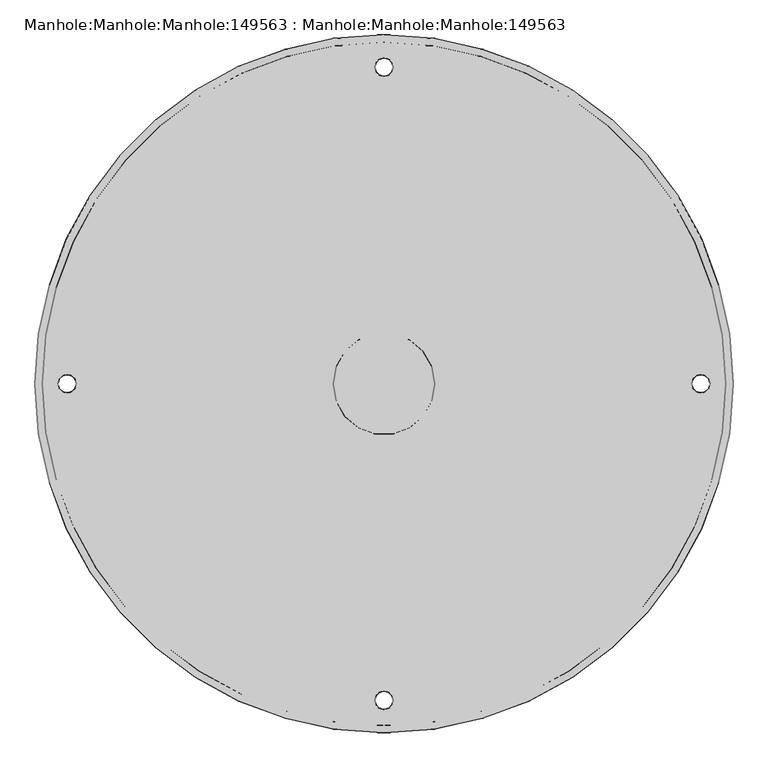
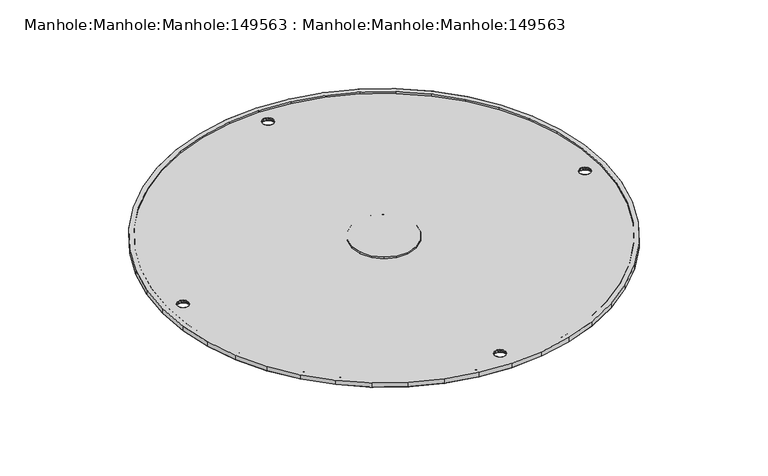
"""IFC4 building model written with IfcOpenShell, lengths in millimetres: proxy geometry, Manhole:Manhole:Manhole:149563 : Manhole:Manhole:Manhole:149563."""

from ifc_helpers import new_model, si_unit, origin, place, context, project, spatial, triangles, source, transform, mapped, element, save


def manhole_manhole_manhole_149563_manhole_manhole_manhole_296dc3f2(model_context):
    return source(origin(), model_context, "Body", "Tessellation", [
        triangles([(-93507.5947266, 10887.6540344, 238381.561084), (-93513.798999, 10974.4080414, 238381.9145508), (-93532.2908936, 11059.3970398, 238382.2680176), (-93562.6890381, 11140.8885773, 238382.6028809), (-93604.3702148, 11217.2257782, 238382.9191406), (-93656.4879639, 11286.8540863, 238383.2167969), (-93717.9911865, 11348.3549835, 238383.4586426), (-93787.6241455, 11400.4773834, 238383.6818848), (-93863.9636719, 11442.1608856, 238383.8493164), (-93945.4563721, 11472.555542, 238383.979541), (-94030.4465332, 11491.0439484, 238384.0539551), (-94117.1947266, 11497.2482208, 238384.0725586), (-94203.9522217, 11491.0439484, 238384.0539551), (-94288.9423828, 11472.555542, 238383.979541), (-94370.435083, 11442.1608856, 238383.8493164), (-94446.7746094, 11400.4773834, 238383.6818848), (-94516.3982666, 11348.3549835, 238383.4586426), (-94577.9014893, 11286.8540863, 238383.2167969), (-94630.02854, 11217.2257782, 238382.9191406), (-94671.7097168, 11140.8885773, 238382.6028809), (-94702.1078613, 11059.3970398, 238382.2680176), (-94720.5904541, 10974.4080414, 238381.9145508), (-94726.7947266, 10887.6540344, 238381.561084), (-94720.5904541, 10800.9000275, 238381.1890137), (-94702.1078613, 10715.9110291, 238380.8355469), (-94671.7097168, 10634.4194916, 238380.5006836), (-94630.02854, 10558.0822906, 238380.1844238), (-94577.9014893, 10488.4539825, 238379.9053711), (-94516.3982666, 10426.9530853, 238379.6449219), (-94446.7746094, 10374.8306854, 238379.4402832), (-94370.435083, 10333.1471832, 238379.254248), (-94288.9423828, 10302.7525269, 238379.1240234), (-94203.9522217, 10284.2641205, 238379.0496094), (-94117.1947266, 10278.0586853, 238379.0310059), (-94030.4465332, 10284.2641205, 238379.0496094), (-93945.4563721, 10302.7525269, 238379.1240234), (-93863.9636719, 10333.1471832, 238379.254248), (-93787.6241455, 10374.8306854, 238379.4402832), (-93717.9911865, 10426.9530853, 238379.6449219), (-93656.4879639, 10488.4539825, 238379.9053711), (-93604.3702148, 10558.0822906, 238380.1844238), (-93562.6890381, 10634.4194916, 238380.5006836), (-93532.2908936, 10715.9110291, 238380.8355469), (-93513.798999, 10800.9000275, 238381.1890137), (-94714.0978271, 10887.6540344, 238381.561084), (-94708.0237793, 10972.6011749, 238381.9145508), (-94689.9225586, 11055.8181885, 238382.2494141), (-94660.1569336, 11135.6133179, 238382.5842773), (-94619.3408203, 11210.3599182, 238382.9005371), (-94568.3020752, 11278.5371521, 238383.1795898), (-94508.0824951, 11338.7567322, 238383.4214355), (-94439.9099121, 11389.7943146, 238383.6446777), (-94365.1609863, 11430.6081024, 238383.8121094), (-94285.3612061, 11460.3702393, 238383.9237305), (-94202.1476807, 11478.4737854, 238383.9981445), (-94117.1947266, 11484.548996, 238384.0353516), (-94032.2510742, 11478.4737854, 238383.9981445), (-93949.0282471, 11460.3702393, 238383.9237305), (-93869.2377686, 11430.6081024, 238383.8121094), (-93794.4888428, 11389.7943146, 238383.6446777), (-93726.306958, 11338.7567322, 238383.4214355), (-93666.0873779, 11278.5371521, 238383.1795898), (-93615.0486328, 11210.3599182, 238382.9005371), (-93574.2418213, 11135.6133179, 238382.5842773), (-93544.4761963, 11055.8181885, 238382.2494141), (-93526.3749756, 10972.6011749, 238381.9145508), (-93520.3009277, 10887.6540344, 238381.561084), (-93526.3749756, 10802.7068939, 238381.2076172), (-93544.4761963, 10719.4887177, 238380.8541504), (-93574.2418213, 10639.694751, 238380.5378906), (-93615.0486328, 10564.9481506, 238380.2216309), (-93666.0873779, 10496.7709167, 238379.9425781), (-93726.306958, 10436.5513367, 238379.6821289), (-93794.4888428, 10385.5137543, 238379.4774902), (-93869.2377686, 10344.6988037, 238379.3100586), (-93949.0282471, 10314.9378296, 238379.179834), (-94032.2510742, 10296.8342834, 238379.1054199), (-94117.1947266, 10290.7590729, 238379.0868164), (-94202.1476807, 10296.8342834, 238379.1054199), (-94285.3612061, 10314.9378296, 238379.179834), (-94365.1609863, 10344.6988037, 238379.3100586), (-94439.9099121, 10385.5137543, 238379.4774902), (-94508.0824951, 10436.5513367, 238379.6821289), (-94568.3020752, 10496.7709167, 238379.9425781), (-94619.3408203, 10564.9481506, 238380.2216309), (-94660.1569336, 10639.694751, 238380.5378906), (-94689.9225586, 10719.4887177, 238380.8541504), (-94708.0237793, 10802.7068939, 238381.2076172), (-94206.1009277, 10887.6540344, 238381.561084), (-94200.7338135, 10857.2489136, 238381.4308594), (-94185.3021973, 10830.5110107, 238381.3192383), (-94161.6478271, 10810.6645477, 238381.2448242), (-94132.6356445, 10800.1058899, 238381.1890137), (-94101.7631104, 10800.1058899, 238381.1890137), (-94072.7509277, 10810.6645477, 238381.2448242), (-94049.0965576, 10830.5110107, 238381.3192383), (-94033.6556396, 10857.2489136, 238381.4308594), (-94028.2978271, 10887.6540344, 238381.561084), (-94033.6556396, 10918.0591553, 238381.6727051), (-94049.0965576, 10944.7970581, 238381.7843262), (-94072.7509277, 10964.6435211, 238381.8773438), (-94101.7631104, 10975.202179, 238381.9145508), (-94132.6356445, 10975.202179, 238381.9145508), (-94161.6478271, 10964.6435211, 238381.8773438), (-94185.3021973, 10944.7970581, 238381.7843262), (-94200.7338135, 10918.0591553, 238381.6727051), (-93507.5947266, 10887.7063568, 238368.8548828), (-93513.798999, 10800.9523499, 238368.501416), (-93532.2908936, 10715.9633514, 238368.1479492), (-93562.6890381, 10634.471814, 238367.8130859), (-93604.3702148, 10558.134613, 238367.4968262), (-93656.4879639, 10488.5074677, 238367.1991699), (-93717.9911865, 10427.0054077, 238366.9387207), (-93787.6241455, 10374.8830078, 238366.734082), (-93863.9636719, 10333.1995056, 238366.5666504), (-93945.4563721, 10302.8048492, 238366.4364258), (-94030.4465332, 10284.3164429, 238366.3620117), (-94117.1947266, 10278.1121704, 238366.3248047), (-94203.9522217, 10284.3164429, 238366.3620117), (-94288.9423828, 10302.8048492, 238366.4364258), (-94370.435083, 10333.1995056, 238366.5666504), (-94446.7746094, 10374.8830078, 238366.734082), (-94516.3982666, 10427.0054077, 238366.9387207), (-94577.9014893, 10488.5074677, 238367.1991699), (-94630.02854, 10558.134613, 238367.4968262), (-94671.7097168, 10634.471814, 238367.8130859), (-94702.1078613, 10715.9633514, 238368.1479492), (-94720.5904541, 10800.9523499, 238368.501416), (-94726.7947266, 10887.7063568, 238368.8548828), (-94720.5904541, 10974.4615265, 238369.2083496), (-94702.1078613, 11059.4493622, 238369.5618164), (-94671.7097168, 11140.9408997, 238369.8966797), (-94630.02854, 11217.2781006, 238370.2129395), (-94577.9014893, 11286.9064087, 238370.5105957), (-94516.3982666, 11348.4073059, 238370.7710449), (-94446.7746094, 11400.5308685, 238370.9756836), (-94370.435083, 11442.213208, 238371.1431152), (-94288.9423828, 11472.6090271, 238371.2733398), (-94203.9522217, 11491.0962708, 238371.3477539), (-94117.1947266, 11497.3017059, 238371.3849609), (-94030.4465332, 11491.0962708, 238371.3477539), (-93945.4563721, 11472.6090271, 238371.2733398), (-93863.9636719, 11442.213208, 238371.1431152), (-93787.6241455, 11400.5308685, 238370.9756836), (-93717.9911865, 11348.4073059, 238370.7710449), (-93656.4879639, 11286.9064087, 238370.5105957), (-93604.3702148, 11217.2781006, 238370.2129395), (-93562.6890381, 11140.9408997, 238369.8966797), (-93532.2908936, 11059.4493622, 238369.5618164), (-93513.798999, 10974.4615265, 238369.2083496), (-94101.1864014, 10334.3645508, 238366.5666504), (-94102.7677002, 10341.3118011, 238366.5852539), (-94107.2139404, 10346.8823914, 238366.6224609), (-94113.6321533, 10349.9740631, 238366.6224609), (-94120.7572998, 10349.9740631, 238366.6224609), (-94127.1755127, 10346.8823914, 238366.6224609), (-94131.6217529, 10341.3118011, 238366.5852539), (-94133.2123535, 10334.3645508, 238366.5666504), (-94131.6217529, 10327.4184631, 238366.5294434), (-94127.1755127, 10321.8467102, 238366.5108398), (-94120.7572998, 10318.7550385, 238366.4922363), (-94113.6321533, 10318.7550385, 238366.4922363), (-94107.2139404, 10321.8467102, 238366.5108398), (-94102.7677002, 10327.4184631, 238366.5294434), (-94101.1864014, 11441.0481628, 238371.1431152), (-94102.7677002, 11447.9954132, 238371.1803223), (-94107.2139404, 11453.5660034, 238371.1989258), (-94113.6321533, 11456.6576752, 238371.2175293), (-94120.7572998, 11456.6576752, 238371.2175293), (-94127.1755127, 11453.5660034, 238371.1989258), (-94131.6217529, 11447.9954132, 238371.1803223), (-94133.2123535, 11441.0481628, 238371.1431152), (-94131.6217529, 11434.1020752, 238371.1245117), (-94127.1755127, 11428.531485, 238371.0873047), (-94120.7572998, 11425.4398132, 238371.0873047), (-94113.6321533, 11425.4398132, 238371.0873047), (-94107.2139404, 11428.531485, 238371.0873047), (-94102.7677002, 11434.1020752, 238371.1245117), (-94654.5293701, 10887.7063568, 238368.8548828), (-94656.1199707, 10894.6536072, 238368.8920898), (-94660.5569092, 10900.2241974, 238368.9106934), (-94666.9844238, 10903.3158691, 238368.9292969), (-94674.1095703, 10903.3158691, 238368.9292969), (-94680.5277832, 10900.2241974, 238368.9106934), (-94684.9647217, 10894.6536072, 238368.8920898), (-94686.5553223, 10887.7063568, 238368.8548828), (-94684.9647217, 10880.7602692, 238368.8362793), (-94680.5277832, 10875.189679, 238368.7990723), (-94674.1095703, 10872.0980072, 238368.7990723), (-94666.9844238, 10872.0980072, 238368.7990723), (-94660.5569092, 10875.189679, 238368.7990723), (-94656.1199707, 10880.7602692, 238368.8362793), (-93579.860083, 10887.7063568, 238368.8548828), (-93578.2787842, 10880.7602692, 238368.8362793), (-93573.8325439, 10875.189679, 238368.7990723), (-93567.4143311, 10872.0980072, 238368.7990723), (-93560.2891846, 10872.0980072, 238368.7990723), (-93553.8709717, 10875.189679, 238368.7990723), (-93549.4247314, 10880.7602692, 238368.8362793), (-93547.8434326, 10887.7063568, 238368.8548828), (-93549.4247314, 10894.6536072, 238368.8920898), (-93553.8709717, 10900.2241974, 238368.9106934), (-93560.2891846, 10903.3158691, 238368.9292969), (-93567.4143311, 10903.3158691, 238368.9292969), (-93573.8325439, 10900.2241974, 238368.9106934), (-93578.2787842, 10894.6536072, 238368.8920898), (-94132.1333496, 10338.3340759, 238374.5103516), (-94131.0636475, 10342.3373199, 238374.5289551), (-94106.2651611, 10345.2673737, 238374.5475586), (-94104.9908203, 10344.0965149, 238366.6038574), (-94129.3986328, 10344.0965149, 238366.6038574), (-94132.4124023, 10337.8375946, 238366.5852539), (-94133.2123535, 10334.3319946, 238374.5103516), (-94102.2561035, 10338.3340759, 238374.5103516), (-94101.9770508, 10337.8375946, 238366.5852539), (-94101.1864014, 10334.3319946, 238374.5103516), (-94125.20354, 10348.1974274, 238374.5661621), (-94128.1335937, 10345.2673737, 238374.5475586), (-94117.1947266, 10350.3426453, 238374.5661621), (-94117.1947266, 10349.9740631, 238366.6224609), (-94110.4230469, 10348.4276459, 238366.6224609), (-94109.1952148, 10348.1974274, 238374.5661621), (-94113.1949707, 10349.269455, 238374.5661621), (-94121.2037842, 10349.269455, 238374.5661621), (-94123.9664063, 10348.4276459, 238366.6224609), (-94103.3351074, 10342.3373199, 238374.5289551), (-94103.3351074, 10326.3266693, 238374.4731445), (-94102.2561035, 10330.3287506, 238374.491748), (-94129.3986328, 10324.6325867, 238366.5294434), (-94128.1335937, 10323.3966156, 238374.454541), (-94104.9908203, 10324.6325867, 238366.5294434), (-94101.9770508, 10330.891507, 238366.5480469), (-94132.4124023, 10330.891507, 238366.5480469), (-94132.1333496, 10330.3287506, 238374.491748), (-94106.2651611, 10323.3966156, 238374.454541), (-94109.1952148, 10320.4665619, 238374.4359375), (-94117.1947266, 10318.7550385, 238366.4922363), (-94117.1947266, 10318.321344, 238374.4359375), (-94125.20354, 10320.4665619, 238374.4359375), (-94123.9664063, 10320.3014557, 238366.5108398), (-94121.2037842, 10319.3933716, 238374.4359375), (-94113.1949707, 10319.3933716, 238374.4359375), (-94110.4230469, 10320.3014557, 238366.5108398), (-94131.0636475, 10326.3266693, 238374.4731445), (-94131.0636475, 11449.020932, 238379.1240234), (-94132.1333496, 11445.017688, 238379.1054199), (-94104.9908203, 11450.780127, 238371.1803223), (-94106.2651611, 11451.9509857, 238379.1240234), (-94129.3986328, 11450.780127, 238371.1803223), (-94133.2123535, 11441.0156067, 238379.0868164), (-94132.4124023, 11444.5223694, 238371.1617188), (-94101.1864014, 11441.0156067, 238379.0868164), (-94101.9770508, 11444.5223694, 238371.1617188), (-94102.2561035, 11445.017688, 238379.1054199), (-94128.1335937, 11451.9509857, 238379.1240234), (-94125.20354, 11454.8810394, 238379.142627), (-94117.1947266, 11456.6576752, 238371.2175293), (-94117.1947266, 11457.0262573, 238379.142627), (-94109.1952148, 11454.8810394, 238379.142627), (-94110.4230469, 11455.1124207, 238371.1989258), (-94113.1949707, 11455.953067, 238379.142627), (-94121.2037842, 11455.953067, 238379.142627), (-94123.9664063, 11455.1124207, 238371.1989258), (-94103.3351074, 11449.020932, 238379.1240234), (-94102.2561035, 11437.0135254, 238379.0682129), (-94103.3351074, 11433.0102814, 238379.0496094), (-94128.1335937, 11430.0802277, 238379.0310059), (-94129.3986328, 11431.3161987, 238371.1059082), (-94104.9908203, 11431.3161987, 238371.1059082), (-94101.9770508, 11437.575119, 238371.1245117), (-94132.1333496, 11437.0135254, 238379.0682129), (-94132.4124023, 11437.575119, 238371.1245117), (-94109.1952148, 11427.150174, 238379.0310059), (-94106.2651611, 11430.0802277, 238379.0310059), (-94117.1947266, 11425.0049561, 238379.0124023), (-94117.1947266, 11425.4398132, 238371.0873047), (-94123.9664063, 11426.9850677, 238371.0873047), (-94125.20354, 11427.150174, 238379.0310059), (-94121.2037842, 11426.0781464, 238379.0310059), (-94113.1949707, 11426.0781464, 238379.0310059), (-94110.4230469, 11426.9850677, 238371.0873047), (-94131.0636475, 11433.0102814, 238379.0496094), (-94684.4066162, 10895.679126, 238376.8171875), (-94685.4856201, 10891.675882, 238376.8171875), (-94659.6081299, 10898.6091797, 238376.835791), (-94658.3430908, 10897.4383209, 238368.8920898), (-94682.7509033, 10897.4383209, 238368.8920898), (-94686.5553223, 10887.6738007, 238376.798584), (-94685.7646729, 10891.1794006, 238368.8734863), (-94655.608374, 10891.675882, 238376.8171875), (-94655.3293213, 10891.1794006, 238368.8734863), (-94654.5293701, 10887.6738007, 238376.798584), (-94681.4765625, 10898.6091797, 238376.835791), (-94678.5465088, 10901.5392334, 238376.8543945), (-94670.5469971, 10903.3158691, 238368.9292969), (-94670.5469971, 10903.6844513, 238376.8543945), (-94663.7753174, 10901.7694519, 238368.9106934), (-94662.5381836, 10901.5392334, 238376.8543945), (-94666.5379395, 10902.611261, 238376.8543945), (-94674.5467529, 10902.611261, 238376.8543945), (-94677.3186768, 10901.7694519, 238368.9106934), (-94656.6780762, 10895.679126, 238376.8171875), (-94655.608374, 10883.6705566, 238376.7799805), (-94656.6780762, 10879.6684753, 238376.761377), (-94682.7509033, 10877.9743927, 238368.8176758), (-94681.4765625, 10876.7384216, 238376.7427734), (-94658.3430908, 10877.9743927, 238368.8176758), (-94655.3293213, 10884.233313, 238368.8362793), (-94685.7646729, 10884.233313, 238368.8362793), (-94685.4856201, 10883.6705566, 238376.7799805), (-94662.5381836, 10873.8083679, 238376.7427734), (-94659.6081299, 10876.7384216, 238376.7427734), (-94670.5469971, 10872.0980072, 238368.7990723), (-94670.5469971, 10871.66315, 238376.7241699), (-94678.5465088, 10873.8083679, 238376.7427734), (-94677.3186768, 10873.6432617, 238368.7990723), (-94674.5467529, 10872.7351776, 238376.7241699), (-94666.5379395, 10872.7351776, 238376.7241699), (-94663.7753174, 10873.6432617, 238368.7990723), (-94684.4066162, 10879.6684753, 238376.761377), (-93549.9828369, 10879.6684753, 238376.761377), (-93548.9131348, 10883.6705566, 238376.7799805), (-93574.790625, 10876.7384216, 238376.7427734), (-93576.0556641, 10877.9743927, 238368.8176758), (-93551.6478516, 10877.9743927, 238368.8176758), (-93547.8434326, 10887.6738007, 238376.798584), (-93548.634082, 10884.233313, 238368.8362793), (-93578.7903809, 10883.6705566, 238376.7799805), (-93579.0694336, 10884.233313, 238368.8362793), (-93579.860083, 10887.6738007, 238376.798584), (-93552.9128906, 10876.7384216, 238376.7427734), (-93555.8429443, 10873.8083679, 238376.7427734), (-93563.8517578, 10872.0980072, 238368.7990723), (-93563.8517578, 10871.66315, 238376.7241699), (-93570.6234375, 10873.6432617, 238368.7990723), (-93571.8512695, 10873.8083679, 238376.7427734), (-93567.8515137, 10872.7351776, 238376.7241699), (-93559.852002, 10872.7351776, 238376.7241699), (-93557.0800781, 10873.6432617, 238368.7990723), (-93577.7206787, 10879.6684753, 238376.761377), (-93578.7903809, 10891.675882, 238376.8171875), (-93577.7206787, 10895.679126, 238376.8171875), (-93551.6478516, 10897.4383209, 238368.8920898), (-93552.9128906, 10898.6091797, 238376.835791), (-93576.0556641, 10897.4383209, 238368.8920898), (-93579.0694336, 10891.1794006, 238368.8734863), (-93548.634082, 10891.1794006, 238368.8734863), (-93548.9131348, 10891.675882, 238376.8171875), (-93571.8512695, 10901.5392334, 238376.8543945), (-93574.790625, 10898.6091797, 238376.835791), (-93563.8517578, 10903.3158691, 238368.9292969), (-93563.8517578, 10903.6844513, 238376.8543945), (-93555.8429443, 10901.5392334, 238376.8543945), (-93557.0800781, 10901.7694519, 238368.9106934), (-93559.852002, 10902.611261, 238376.8543945), (-93567.8515137, 10902.611261, 238376.8543945), (-93570.6234375, 10901.7694519, 238368.9106934), (-93549.9828369, 10895.679126, 238376.8171875), (-93520.3009277, 10887.6738007, 238376.798584), (-93526.3749756, 10972.6209412, 238377.1520508), (-93544.4761963, 11055.8379547, 238377.4869141), (-93574.2418213, 11135.6330841, 238377.8217773), (-93615.0486328, 11210.3796844, 238378.1380371), (-93666.0873779, 11278.5569183, 238378.4170898), (-93726.306958, 11338.7764984, 238378.6589355), (-93794.4888428, 11389.8140808, 238378.8821777), (-93869.2377686, 11430.6278687, 238379.0496094), (-93949.0282471, 11460.3900055, 238379.1612305), (-94032.2510742, 11478.4935516, 238379.2356445), (-94117.1947266, 11484.5687622, 238379.2728516), (-94202.1476807, 11478.4935516, 238379.2356445), (-94285.3612061, 11460.3900055, 238379.1612305), (-94365.1609863, 11430.6278687, 238379.0496094), (-94439.9099121, 11389.8140808, 238378.8821777), (-94508.0824951, 11338.7764984, 238378.6589355), (-94568.3020752, 11278.5569183, 238378.4170898), (-94619.3408203, 11210.3796844, 238378.1380371), (-94660.1569336, 11135.6330841, 238377.8217773), (-94689.9225586, 11055.8379547, 238377.4869141), (-94708.0237793, 10972.6209412, 238377.1520508), (-94714.0978271, 10887.6738007, 238376.798584), (-94708.0237793, 10802.7266602, 238376.4451172), (-94689.9225586, 10719.5084839, 238376.0916504), (-94660.1569336, 10639.7145172, 238375.7753906), (-94619.3408203, 10564.9679169, 238375.4591309), (-94568.3020752, 10496.790683, 238375.1800781), (-94508.0824951, 10436.5711029, 238374.9196289), (-94439.9099121, 10385.5335205, 238374.7149902), (-94365.1609863, 10344.7185699, 238374.5475586), (-94285.3612061, 10314.9575958, 238374.417334), (-94202.1476807, 10296.8540497, 238374.3429199), (-94117.1947266, 10290.7788391, 238374.3243164), (-94032.2510742, 10296.8540497, 238374.3429199), (-93949.0282471, 10314.9575958, 238374.417334), (-93869.2377686, 10344.7185699, 238374.5475586), (-93794.4888428, 10385.5335205, 238374.7149902), (-93726.306958, 10436.5711029, 238374.9196289), (-93666.0873779, 10496.790683, 238375.1800781), (-93615.0486328, 10564.9679169, 238375.4591309), (-93574.2418213, 10639.7145172, 238375.7753906), (-93544.4761963, 10719.5084839, 238376.0916504), (-93526.3749756, 10802.7266602, 238376.4451172), (-94028.2978271, 10887.6738007, 238376.798584), (-94033.6556396, 10857.2686798, 238376.6683594), (-94049.0965576, 10830.530777, 238376.5567383), (-94072.7509277, 10810.684314, 238376.4823242), (-94101.7631104, 10800.1244934, 238376.4265137), (-94132.6356445, 10800.1244934, 238376.4265137), (-94161.6478271, 10810.684314, 238376.4823242), (-94185.3021973, 10830.530777, 238376.5567383), (-94200.7338135, 10857.2686798, 238376.6683594), (-94206.1009277, 10887.6738007, 238376.798584), (-94200.7338135, 10918.0789215, 238376.9102051), (-94185.3021973, 10944.8168243, 238377.0218262), (-94161.6478271, 10964.6632874, 238377.1148438), (-94132.6356445, 10975.2219452, 238377.1520508), (-94101.7631104, 10975.2219452, 238377.1520508), (-94072.7509277, 10964.6632874, 238377.1148438), (-94049.0965576, 10944.8168243, 238377.0218262), (-94033.6556396, 10918.0789215, 238376.9102051)], [[38, 74, 75], [74, 38, 39], [39, 40, 73], [39, 73, 74], [35, 36, 77], [77, 36, 76], [35, 77, 78], [76, 37, 75], [37, 76, 36], [75, 37, 38], [73, 40, 72], [43, 44, 68], [44, 67, 68], [67, 44, 1], [67, 1, 66], [43, 68, 69], [72, 41, 71], [41, 72, 40], [71, 41, 42], [42, 69, 70], [69, 42, 43], [42, 70, 71], [33, 34, 79], [79, 80, 33], [78, 79, 34], [34, 35, 78], [33, 80, 32], [32, 81, 31], [81, 32, 80], [31, 81, 82], [29, 30, 83], [82, 30, 31], [82, 83, 30], [84, 29, 83], [29, 84, 28], [85, 27, 28], [27, 85, 86], [85, 28, 84], [25, 26, 87], [86, 26, 27], [87, 26, 86], [88, 24, 25], [24, 88, 45], [88, 25, 87], [66, 2, 65], [2, 66, 1], [64, 65, 3], [3, 65, 2], [64, 3, 4], [4, 63, 64], [63, 4, 5], [63, 5, 62], [62, 6, 61], [6, 62, 5], [61, 6, 7], [60, 7, 8], [8, 9, 59], [59, 9, 58], [8, 59, 60], [58, 10, 57], [10, 58, 9], [57, 10, 11], [56, 11, 12], [11, 56, 57], [56, 12, 55], [60, 61, 7], [48, 20, 21], [20, 48, 49], [19, 49, 18], [18, 49, 50], [49, 19, 20], [45, 46, 23], [23, 46, 22], [45, 23, 24], [22, 47, 21], [47, 22, 46], [21, 47, 48], [53, 54, 14], [13, 14, 54], [13, 55, 12], [13, 54, 55], [53, 14, 15], [50, 17, 18], [50, 51, 17], [17, 51, 16], [52, 15, 16], [15, 52, 53], [52, 16, 51], [104, 105, 106], [104, 106, 103], [103, 106, 89], [99, 102, 98], [101, 99, 100], [99, 101, 102], [98, 102, 103], [103, 89, 98], [90, 91, 93], [92, 93, 91], [93, 94, 89], [89, 97, 98], [97, 95, 96], [95, 97, 94], [94, 97, 89], [90, 93, 89], [148, 206, 147], [149, 205, 148], [150, 203, 204], [203, 150, 202], [149, 150, 205], [146, 147, 206], [177, 142, 143], [144, 177, 143], [176, 145, 146], [144, 145, 176], [178, 141, 142], [204, 205, 150], [202, 107, 201], [107, 202, 150], [201, 107, 200], [199, 200, 107], [198, 199, 107], [198, 108, 197], [206, 176, 146], [205, 206, 148], [196, 197, 108], [154, 193, 194], [194, 195, 110], [176, 206, 193], [198, 107, 108], [193, 179, 175], [140, 167, 168], [140, 141, 167], [140, 168, 169], [165, 166, 141], [178, 165, 141], [141, 166, 167], [173, 138, 139], [170, 140, 169], [139, 140, 170], [171, 172, 139], [170, 171, 139], [172, 173, 139], [174, 137, 138], [174, 136, 137], [176, 193, 175], [136, 174, 175], [144, 176, 177], [174, 138, 173], [175, 134, 135], [135, 136, 175], [133, 134, 180], [133, 180, 132], [132, 181, 131], [131, 181, 130], [175, 180, 134], [178, 142, 177], [195, 196, 108], [195, 109, 110], [194, 110, 111], [194, 112, 154], [111, 112, 194], [112, 113, 154], [154, 114, 153], [153, 114, 115], [155, 193, 154], [193, 155, 179], [153, 115, 116], [154, 113, 114], [122, 155, 156], [151, 152, 117], [164, 151, 117], [164, 117, 163], [117, 152, 116], [163, 117, 118], [152, 153, 116], [158, 159, 119], [157, 158, 119], [162, 118, 161], [118, 162, 163], [160, 161, 118], [160, 119, 159], [119, 160, 118], [156, 157, 120], [182, 130, 181], [181, 132, 180], [179, 155, 192], [191, 192, 126], [179, 180, 175], [184, 185, 129], [184, 129, 130], [186, 187, 129], [188, 129, 187], [186, 129, 185], [184, 130, 183], [182, 183, 130], [123, 124, 155], [192, 155, 124], [121, 122, 156], [123, 155, 122], [125, 192, 124], [189, 190, 128], [188, 189, 128], [128, 191, 127], [190, 191, 128], [126, 127, 191], [125, 126, 192], [188, 128, 129], [156, 120, 121], [119, 120, 157], [195, 108, 109], [27, 26, 125], [126, 125, 26], [26, 25, 127], [127, 126, 26], [28, 27, 125], [125, 124, 28], [32, 31, 120], [121, 120, 31], [33, 32, 120], [120, 119, 33], [30, 29, 122], [123, 122, 29], [31, 30, 121], [122, 121, 30], [29, 28, 124], [124, 123, 29], [34, 33, 119], [119, 118, 34], [127, 25, 24], [24, 128, 127], [128, 24, 23], [23, 129, 128], [38, 37, 115], [115, 114, 38], [36, 35, 116], [117, 116, 35], [37, 36, 116], [116, 115, 37], [39, 38, 114], [114, 113, 39], [43, 42, 109], [110, 109, 42], [44, 43, 109], [109, 108, 44], [41, 40, 111], [112, 111, 40], [42, 41, 111], [111, 110, 42], [40, 39, 112], [113, 112, 39], [1, 44, 108], [108, 107, 1], [118, 117, 34], [35, 34, 117], [1, 107, 150], [150, 2, 1], [3, 149, 4], [148, 4, 149], [2, 150, 3], [149, 3, 150], [4, 148, 147], [147, 5, 4], [11, 10, 142], [142, 141, 11], [6, 146, 7], [145, 7, 146], [12, 11, 140], [141, 140, 11], [5, 147, 146], [146, 6, 5], [7, 145, 144], [144, 8, 7], [144, 143, 9], [9, 8, 144], [10, 9, 142], [143, 142, 9], [16, 15, 136], [137, 136, 15], [14, 13, 138], [139, 138, 13], [15, 14, 138], [138, 137, 15], [17, 16, 136], [136, 135, 17], [21, 20, 131], [132, 131, 20], [22, 21, 130], [131, 130, 21], [19, 18, 134], [134, 133, 19], [20, 19, 133], [133, 132, 20], [18, 17, 134], [135, 134, 17], [23, 22, 129], [130, 129, 22], [140, 139, 13], [13, 12, 140], [207, 157, 208], [209, 153, 210], [208, 157, 211], [158, 212, 213], [214, 215, 216], [156, 217, 218], [154, 219, 220], [155, 220, 219], [221, 153, 222], [211, 218, 208], [212, 157, 207], [212, 207, 213], [222, 223, 221], [155, 219, 224], [214, 152, 215], [217, 225, 224], [211, 156, 218], [209, 222, 153], [221, 223, 154], [155, 224, 225], [209, 210, 226], [214, 226, 152], [223, 219, 154], [151, 216, 215], [152, 226, 210], [217, 156, 225], [227, 164, 228], [229, 160, 230], [231, 164, 227], [216, 232, 151], [213, 233, 234], [235, 236, 163], [161, 237, 238], [162, 238, 237], [239, 160, 240], [227, 235, 231], [228, 164, 232], [216, 228, 232], [240, 241, 239], [242, 238, 162], [233, 159, 234], [242, 243, 236], [235, 163, 231], [160, 239, 230], [161, 241, 240], [243, 242, 162], [244, 229, 230], [159, 244, 234], [161, 238, 241], [233, 213, 158], [229, 244, 159], [243, 163, 236], [245, 171, 246], [247, 167, 248], [249, 171, 245], [250, 251, 172], [252, 253, 254], [255, 256, 170], [258, 168, 257], [257, 169, 258], [259, 167, 260], [245, 255, 249], [246, 171, 251], [250, 246, 251], [260, 261, 259], [262, 258, 169], [253, 166, 254], [262, 263, 256], [255, 170, 249], [167, 259, 248], [168, 261, 260], [263, 262, 169], [264, 247, 248], [166, 264, 254], [168, 258, 261], [253, 252, 165], [247, 264, 166], [263, 170, 256], [265, 178, 266], [267, 174, 268], [266, 178, 269], [165, 270, 252], [271, 272, 250], [177, 273, 274], [175, 275, 276], [176, 276, 275], [277, 174, 278], [269, 274, 266], [270, 178, 265], [270, 265, 252], [278, 279, 277], [176, 275, 280], [271, 173, 272], [273, 281, 280], [269, 177, 274], [267, 278, 174], [277, 279, 175], [176, 280, 281], [267, 268, 282], [271, 282, 173], [279, 275, 175], [172, 250, 272], [173, 282, 268], [273, 177, 281], [283, 185, 284], [285, 181, 286], [287, 185, 283], [288, 289, 186], [290, 291, 292], [293, 294, 184], [182, 295, 296], [183, 296, 295], [297, 181, 298], [283, 293, 287], [284, 185, 289], [288, 284, 289], [298, 299, 297], [300, 296, 183], [290, 180, 291], [300, 301, 294], [293, 184, 287], [285, 298, 181], [297, 299, 182], [301, 300, 183], [285, 286, 302], [290, 302, 180], [299, 296, 182], [291, 179, 292], [180, 302, 286], [301, 184, 294], [303, 192, 304], [305, 188, 306], [304, 192, 307], [179, 308, 292], [288, 309, 310], [191, 311, 312], [189, 313, 314], [190, 314, 313], [315, 188, 316], [307, 312, 304], [308, 192, 303], [308, 303, 292], [316, 317, 315], [190, 314, 318], [309, 187, 310], [311, 319, 318], [307, 191, 312], [188, 315, 306], [189, 317, 316], [190, 318, 319], [320, 305, 306], [187, 320, 310], [189, 314, 317], [309, 288, 186], [305, 320, 187], [311, 191, 319], [321, 199, 322], [323, 195, 324], [325, 199, 321], [326, 327, 200], [328, 329, 330], [331, 332, 198], [196, 333, 334], [197, 334, 333], [335, 195, 336], [321, 331, 325], [322, 199, 327], [326, 322, 327], [336, 337, 335], [338, 334, 197], [328, 194, 329], [338, 339, 332], [331, 198, 325], [323, 336, 195], [335, 337, 196], [339, 338, 197], [323, 324, 340], [328, 340, 194], [337, 334, 196], [193, 330, 329], [194, 340, 324], [339, 198, 332], [341, 206, 342], [343, 202, 344], [342, 206, 345], [330, 193, 346], [326, 347, 348], [205, 349, 350], [203, 351, 352], [204, 352, 351], [353, 202, 354], [345, 350, 342], [346, 206, 341], [346, 341, 330], [354, 355, 353], [204, 352, 356], [347, 201, 348], [349, 357, 356], [345, 205, 350], [202, 353, 344], [203, 355, 354], [204, 356, 357], [358, 343, 344], [201, 358, 348], [203, 352, 355], [347, 326, 200], [343, 358, 201], [349, 205, 357], [399, 405, 398], [399, 404, 405], [336, 401, 402], [334, 402, 332], [400, 401, 340], [399, 400, 404], [394, 226, 393], [395, 222, 394], [396, 397, 406], [405, 406, 397], [397, 398, 405], [396, 406, 395], [406, 222, 395], [334, 336, 402], [332, 359, 321], [359, 332, 402], [321, 359, 326], [358, 326, 359], [352, 353, 360], [358, 359, 353], [359, 360, 353], [340, 330, 404], [340, 404, 400], [420, 330, 342], [404, 330, 403], [361, 342, 349], [420, 403, 330], [401, 336, 340], [349, 352, 360], [392, 236, 238], [236, 392, 227], [392, 238, 239], [216, 393, 226], [394, 222, 226], [216, 227, 393], [392, 393, 227], [390, 391, 208], [244, 392, 239], [391, 392, 244], [208, 217, 390], [244, 213, 391], [208, 391, 213], [390, 217, 389], [217, 409, 389], [407, 219, 222], [408, 219, 407], [217, 219, 408], [409, 217, 408], [387, 409, 410], [389, 409, 388], [385, 410, 411], [409, 387, 388], [410, 386, 387], [386, 410, 385], [304, 383, 384], [384, 385, 411], [382, 383, 311], [411, 304, 384], [407, 222, 406], [342, 361, 362], [420, 342, 362], [419, 363, 364], [362, 363, 420], [365, 419, 364], [420, 363, 419], [419, 365, 418], [418, 273, 417], [416, 417, 275], [275, 417, 273], [418, 367, 273], [367, 418, 366], [366, 418, 365], [266, 273, 368], [252, 266, 369], [369, 264, 252], [370, 259, 264], [264, 369, 370], [369, 266, 368], [273, 367, 368], [372, 278, 282], [416, 275, 278], [258, 370, 256], [370, 258, 259], [245, 256, 370], [370, 371, 245], [250, 245, 371], [371, 282, 250], [304, 311, 383], [411, 292, 304], [311, 314, 382], [413, 292, 412], [292, 413, 302], [379, 298, 302], [315, 320, 381], [314, 315, 382], [283, 294, 381], [288, 381, 320], [381, 288, 283], [294, 380, 381], [315, 381, 382], [378, 302, 413], [412, 292, 411], [416, 278, 415], [375, 414, 415], [415, 278, 373], [374, 415, 373], [372, 373, 278], [282, 371, 372], [375, 415, 374], [298, 380, 296], [298, 379, 380], [296, 380, 294], [377, 378, 413], [378, 379, 302], [414, 376, 377], [414, 375, 376], [413, 414, 377], [349, 360, 361], [413, 412, 106], [89, 106, 412], [415, 414, 104], [105, 104, 414], [414, 413, 106], [106, 105, 414], [416, 415, 104], [104, 103, 416], [417, 416, 102], [103, 102, 416], [418, 417, 101], [102, 101, 417], [420, 419, 99], [100, 99, 419], [419, 418, 101], [101, 100, 419], [403, 420, 99], [99, 98, 403], [404, 403, 97], [98, 97, 403], [406, 405, 95], [96, 95, 405], [405, 404, 97], [97, 96, 405], [407, 406, 95], [95, 94, 407], [408, 407, 94], [94, 93, 408], [409, 408, 92], [93, 92, 408], [411, 410, 90], [91, 90, 410], [410, 409, 92], [92, 91, 410], [412, 411, 89], [90, 89, 411], [87, 88, 383], [382, 383, 88], [384, 86, 87], [87, 383, 384], [88, 45, 382], [381, 382, 45], [385, 85, 86], [86, 384, 385], [387, 83, 84], [84, 386, 387], [386, 84, 85], [85, 385, 386], [391, 79, 390], [80, 390, 79], [390, 80, 81], [81, 389, 390], [389, 81, 82], [82, 388, 389], [388, 82, 83], [83, 387, 388], [79, 391, 392], [392, 78, 79], [394, 76, 77], [77, 393, 394], [397, 73, 74], [74, 396, 397], [396, 74, 75], [75, 395, 396], [395, 75, 76], [76, 394, 395], [400, 70, 71], [71, 399, 400], [399, 71, 72], [72, 398, 399], [359, 67, 68], [68, 402, 359], [402, 68, 69], [69, 401, 402], [401, 69, 70], [70, 400, 401], [398, 72, 73], [73, 397, 398], [78, 392, 393], [393, 77, 78], [62, 63, 364], [363, 364, 63], [64, 65, 361], [361, 362, 64], [65, 66, 361], [360, 361, 66], [63, 64, 362], [362, 363, 63], [59, 60, 366], [366, 367, 59], [60, 61, 365], [365, 366, 60], [369, 57, 58], [58, 368, 369], [368, 58, 59], [59, 367, 368], [61, 62, 364], [364, 365, 61], [370, 56, 369], [57, 369, 56], [359, 360, 67], [66, 67, 360], [372, 54, 371], [55, 371, 54], [375, 51, 52], [52, 374, 375], [374, 52, 53], [53, 373, 374], [373, 53, 372], [54, 372, 53], [378, 48, 49], [49, 377, 378], [377, 49, 376], [50, 376, 49], [381, 45, 46], [46, 380, 381], [380, 46, 379], [47, 379, 46], [379, 47, 48], [48, 378, 379], [376, 50, 51], [51, 375, 376], [56, 370, 371], [371, 55, 56]], closed=False),
    ])


if __name__ == "__main__":
    model = new_model("IFC4")
    model_context = context("Model", 3, world=origin())
    ifc_project = project(units=[si_unit("LENGTHUNIT", "METRE", prefix="MILLI")], contexts=[model_context])
    site = spatial("IfcSite", under=ifc_project)
    building = spatial("IfcBuilding", under=site)
    placement = place(None, origin())
    manhole_manhole_manhole_149563_manhole_manhole_manhole_shape = manhole_manhole_manhole_149563_manhole_manhole_manhole_296dc3f2(model_context)
    element("IfcBuildingElementProxy", 1, Name="Manhole:Manhole:Manhole:149563 : Manhole:Manhole:Manhole:149563", ObjectType="Manhole:Manhole:Manhole:149563 : Manhole:Manhole:Manhole:149563", at=placement, inside=building, context=model_context, shape_type="MappedRepresentation", body=[
        mapped(manhole_manhole_manhole_149563_manhole_manhole_manhole_shape, transform((0.0, 0.0, 0.0), x_axis=(1.0, 0.0, 0.0), y_axis=(0.0, 1.0, 0.0), z_axis=(0.0, 0.0, 1.0))),
    ])
    save(model, "model.ifc")
